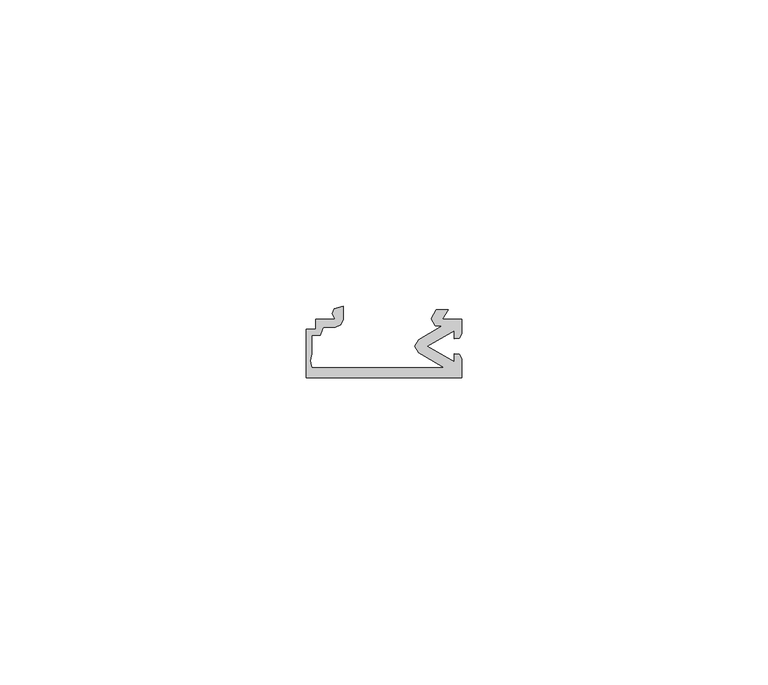
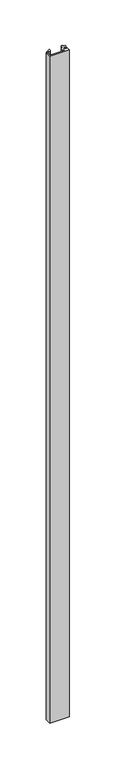
"""IFC4 building model written with IfcOpenShell, lengths in millimetres: proxy geometry."""

import ifcopenshell
import ifcopenshell.guid

model = None  # the IFC model being written
_history = None  # IfcOwnerHistory: only IFC2X3 demands one
_inside = {}  # id of a spatial element -> (the spatial element, [elements in it])
_under = {}  # id of a project, library or spatial element -> (it, [spatial elements below it])
_declared = {}  # id of a project -> (the project, [libraries it declares])
_typed = {}  # id of a type object -> (the type object, [elements of that type])
_made_of = {}  # id of a material, layer set ... -> (it, [elements and type objects made of it])


def new_model(schema):
    """Start an empty IFC model of exactly this schema.

    Asked for "IFC4X3", IfcOpenShell would pick the latest addendum, in which some entities
    have other attributes; the version numbers below select the first issue.
    IFC2X3 requires an IfcOwnerHistory on every rooted entity: one is made here for all.
    """
    global model, _history
    if schema == "IFC4X3":
        model = ifcopenshell.file(schema_version=(4, 3, 0, 0))
    else:
        model = ifcopenshell.file(schema=schema)
    _inside.clear()
    _under.clear()
    _declared.clear()
    _typed.clear()
    _made_of.clear()
    _history = None
    if model.schema == "IFC2X3":
        org = make("IfcOrganization", Name="unknown")
        user = make(
            "IfcPersonAndOrganization",
            ThePerson=make("IfcPerson", FamilyName="unknown"),
            TheOrganization=org,
        )
        app = make(
            "IfcApplication",
            ApplicationDeveloper=org,
            Version="unknown",
            ApplicationFullName="unknown",
            ApplicationIdentifier="unknown",
        )
        _history = make(
            "IfcOwnerHistory",
            OwningUser=user,
            OwningApplication=app,
            ChangeAction="ADDED",
            CreationDate=0,
        )
    return model


def make(cls, **values):
    """One entity of the class cls with the attributes given. An attribute that is None is left unset."""
    return model.create_entity(
        cls, **{name: value for name, value in values.items() if value is not None}
    )


def rooted(cls, **values):
    """An entity with a GlobalId (a new one), such as an element, a storey or a relation."""
    return make(cls, GlobalId=ifcopenshell.guid.new(), OwnerHistory=_history, **values)


def si_unit(unit_type, name, prefix=None):
    """IfcSIUnit, for example si_unit("LENGTHUNIT", "METRE", prefix="MILLI")."""
    return make("IfcSIUnit", UnitType=unit_type, Prefix=prefix, Name=name)


def assignment(units):
    """IfcUnitAssignment: the units of a project."""
    return None if units is None else make("IfcUnitAssignment", Units=units)


def point(xyz):
    """IfcCartesianPoint."""
    return None if xyz is None else make("IfcCartesianPoint", Coordinates=xyz)


def direction(xyz):
    """IfcDirection."""
    return None if xyz is None else make("IfcDirection", DirectionRatios=xyz)


def frame(location, z_axis=None, x_axis=None):
    """IfcAxis2Placement3D, a coordinate frame: its origin and axes. An axis left out is left unset."""
    return make(
        "IfcAxis2Placement3D",
        Location=point(location),
        Axis=direction(z_axis),
        RefDirection=direction(x_axis),
    )


def origin():
    """The frame at (0, 0, 0) with its axes left unset."""
    return frame((0.0, 0.0, 0.0))


def place(relative_to, where):
    """IfcLocalPlacement: puts the frame where relative to a parent placement (None: the world)."""
    return make(
        "IfcLocalPlacement", PlacementRelTo=relative_to, RelativePlacement=where
    )


def context(
    kind, dimensions, precision=None, world=None, true_north=None, identifier=None
):
    """IfcGeometricRepresentationContext, for example the 3D "Model" context."""
    return make(
        "IfcGeometricRepresentationContext",
        ContextIdentifier=identifier,
        ContextType=kind,
        CoordinateSpaceDimension=dimensions,
        Precision=precision,
        WorldCoordinateSystem=world,
        TrueNorth=true_north,
    )


def project(units=None, contexts=None):
    """IfcProject with its units and contexts."""
    return rooted(
        "IfcProject",
        Name="project",
        RepresentationContexts=contexts,
        UnitsInContext=assignment(units),
    )


def spatial(cls, under=None, at=None, **own):
    """A site, building, storey or space (cls), placed at a placement, below another one or the project."""
    s = rooted(cls, ObjectPlacement=at, **own)
    if under is not None:
        _under.setdefault(under.id(), (under, []))[1].append(s)
    return s


def polyline(points):
    """IfcPolyline through the points."""
    return make("IfcPolyline", Points=[point(p) for p in points])


def outline(outer, holes=None, kind="AREA"):
    """IfcArbitraryClosedProfileDef: a profile drawn as a closed curve; with holes, ...WithVoids."""
    if holes is None:
        return make("IfcArbitraryClosedProfileDef", ProfileType=kind, OuterCurve=outer)
    return make(
        "IfcArbitraryProfileDefWithVoids",
        ProfileType=kind,
        OuterCurve=outer,
        InnerCurves=holes,
    )


def extrude(swept, where, along, depth):
    """IfcExtrudedAreaSolid: the profile swept, set in the frame where, extruded along a direction by depth."""
    return make(
        "IfcExtrudedAreaSolid",
        SweptArea=swept,
        Position=where,
        ExtrudedDirection=direction(along),
        Depth=depth,
    )


def shape(context_of_items, identifier, shape_type, items):
    """IfcShapeRepresentation: the items that make up one representation, for example the "Body"."""
    return make(
        "IfcShapeRepresentation",
        ContextOfItems=context_of_items,
        RepresentationIdentifier=identifier,
        RepresentationType=shape_type,
        Items=items,
    )


def source(mapping_origin, context_of_items, identifier, shape_type, items):
    """IfcRepresentationMap: a shape defined once, which mapped items show again and again."""
    return make(
        "IfcRepresentationMap",
        MappingOrigin=mapping_origin,
        MappedRepresentation=shape(context_of_items, identifier, shape_type, items),
    )


def transform(
    local_origin,
    x_axis=None,
    y_axis=None,
    z_axis=None,
    scale=None,
    scale2=None,
    scale3=None,
    uniform=True,
):
    """IfcCartesianTransformationOperator3D, or its non-uniform kind. x_axis, y_axis, z_axis: its Axis1, 2, 3."""
    if uniform:
        return make(
            "IfcCartesianTransformationOperator3D",
            Axis1=direction(x_axis),
            Axis2=direction(y_axis),
            LocalOrigin=point(local_origin),
            Scale=scale,
            Axis3=direction(z_axis),
        )
    return make(
        "IfcCartesianTransformationOperator3DnonUniform",
        Axis1=direction(x_axis),
        Axis2=direction(y_axis),
        LocalOrigin=point(local_origin),
        Scale=scale,
        Axis3=direction(z_axis),
        Scale2=scale2,
        Scale3=scale3,
    )


def mapped(mapping_source, mapping_target):
    """IfcMappedItem: shows the shape of a source again, moved by a transform."""
    return make(
        "IfcMappedItem", MappingSource=mapping_source, MappingTarget=mapping_target
    )


def made_of(thing, what):
    """Note that an element or type object is made of a material, layer set ...; save() writes the relation."""
    if what is not None:
        _made_of.setdefault(what.id(), (what, []))[1].append(thing)
    return thing


def element(
    cls,
    number,
    at=None,
    inside=None,
    cuts=None,
    type_object=None,
    material=None,
    context=None,
    identifier="Body",
    shape_type=None,
    held_by="IfcProductDefinitionShape",
    body=None,
    shapes=None,
    **own,
):
    """One element of the class cls, such as IfcWall. Its Tag is "e" and its number.

    at: its placement. inside: the storey or other place that contains it. cuts: it is an
    opening in that element (IfcRelVoidsElement). A single representation is given by context,
    identifier, shape_type and body (its items); several are given by shapes. held_by: the class
    of the entity that holds the representations. save() writes the other relations.
    """
    e = rooted(cls, Tag="e%d" % number, ObjectPlacement=at, **own)
    if body is not None:
        shapes = [shape(context, identifier, shape_type, body)]
    if shapes is not None:
        e.Representation = make(held_by, Representations=shapes)
    if inside is not None:
        _inside.setdefault(inside.id(), (inside, []))[1].append(e)
    if cuts is not None:
        rooted(
            "IfcRelVoidsElement", RelatingBuildingElement=cuts, RelatedOpeningElement=e
        )
    if type_object is not None:
        _typed.setdefault(type_object.id(), (type_object, []))[1].append(e)
    return made_of(e, material)


def aggregate(whole, parts):
    """IfcRelAggregates: a whole, such as a stair, and the parts it consists of."""
    return rooted("IfcRelAggregates", RelatingObject=whole, RelatedObjects=parts)


def save(model, path):
    """Write the relations noted so far, then the file.

    IfcRelAggregates (storeys below a building ...), IfcRelContainedInSpatialStructure (elements
    in a storey), IfcRelDefinesByType, IfcRelAssociatesMaterial and IfcRelDeclares: one each for
    every whole, place, type object, material and project.
    """
    for whole, parts in _under.values():
        aggregate(whole, parts)
    for where, things in _inside.values():
        rooted(
            "IfcRelContainedInSpatialStructure",
            RelatedElements=things,
            RelatingStructure=where,
        )
    for kind, things in _typed.values():
        rooted("IfcRelDefinesByType", RelatedObjects=things, RelatingType=kind)
    for what, things in _made_of.values():
        rooted("IfcRelAssociatesMaterial", RelatedObjects=things, RelatingMaterial=what)
    for by, libraries in _declared.values():
        rooted("IfcRelDeclares", RelatingContext=by, RelatedDefinitions=libraries)
    model.write(path)


def generic_models_8d7b8546(model_context):
    return source(origin(), model_context, "Body", "SweptSolid", [
        extrude(outline(polyline([(37065.5607084, -24164.4597357), (37040.1607084, -24164.4597357), (37040.1607084, -24156.5095357), (37041.7355084, -24156.5095357), (37041.7355084, -24154.9347357), (37044.9359084, -24154.9347357), (37044.422644, -24154.0457357), (37044.715938, -24153.1567357), (37046.2059084, -24152.7757358), (37046.2059084, -24154.9347357), (37045.833934, -24155.8327613), (37044.9359084, -24156.2047357), (37042.96839, -24156.2047357), (37042.4748307, -24157.542155), (37041.0497084, -24157.5784503), (37041.0497084, -24160.5735357), (37040.8465084, -24161.6911357), (37041.0497084, -24162.8087357), (37062.7010925, -24162.8087357), (37058.5498549, -24160.4120176), (37057.9148549, -24159.3121653), (37058.5498549, -24158.212313), (37062.3918644, -24155.9941278), (37061.2125604, -24155.9941278), (37060.552649, -24154.8511278), (37061.4135891, -24153.3599357), (37063.3199997, -24153.3599357), (37062.4107885, -24154.9347357), (37065.5607084, -24154.9347357), (37065.5607084, -24157.2801653), (37065.1468989, -24158.0315074), (37064.2907085, -24158.0833838), (37064.2907085, -24156.8042403), (37059.9468549, -24159.3121653), (37064.2907084, -24161.8200903), (37064.2907084, -24160.5409467), (37065.1468989, -24160.5928231), (37065.5607084, -24161.3441653), (37065.5607084, -24164.4597357)])), frame((0.0, 0.0, 1524.0), z_axis=(0.0, 0.0, 1.0), x_axis=(1.0, 0.0, 0.0)), (0.0, 0.0, 1.0), 914.4),
    ])


if __name__ == "__main__":
    model = new_model("IFC4")
    model_context = context("Model", 3, world=origin())
    ifc_project = project(units=[si_unit("LENGTHUNIT", "METRE", prefix="MILLI")], contexts=[model_context])
    site = spatial("IfcSite", under=ifc_project)
    building = spatial("IfcBuilding", under=site)
    placement = place(None, origin())
    generic_models_shape = generic_models_8d7b8546(model_context)
    element("IfcBuildingElementProxy", 1, Name="Generic Models", at=placement, inside=building, context=model_context, shape_type="MappedRepresentation", body=[
        mapped(generic_models_shape, transform((0.0, 0.0, 0.0), x_axis=(1.0, 0.0, 0.0), y_axis=(0.0, 1.0, 0.0), z_axis=(0.0, 0.0, 1.0))),
    ])
    save(model, "model.ifc")
